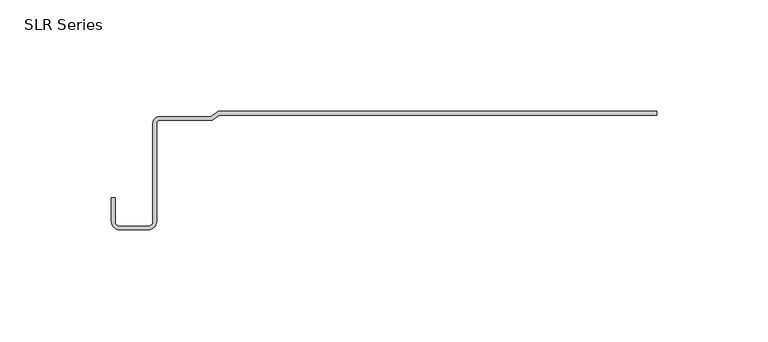
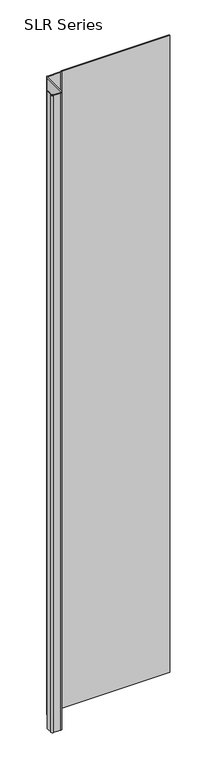
"""IFC4 building model written with IfcOpenShell, lengths in millimetres: plate geometry, SLR Series."""

from ifc_helpers import new_model, si_unit, point, frame_2d, origin, origin_with_axes, place, context, project, spatial, polyline, circle_curve, trimmed, segment, composite_curve, outline, extrude, source, transform, mapped, element, save


def slr_series_0f4c547c(model_context):
    return source(origin(), model_context, "Body", "SweptSolid", [
        extrude(outline(composite_curve([segment(polyline([(-127.059329, -51.5384393), (-114.1747192, -51.5384393)]), True, "CONTINUOUS"), segment(trimmed(circle_curve(frame_2d((-114.1747192, -49.4804807)), 2.0579585), [point((-114.1747192, -51.5384393))], [point((-112.1167607, -49.4804807))], True, "CARTESIAN"), True, "CONTINUOUS"), segment(polyline([(-112.1167607, -49.4804807), (-112.1167607, -5.1896345)]), True, "CONTINUOUS"), segment(trimmed(circle_curve(frame_2d((-109.3429905, -5.1896345)), 2.7737702), [point((-112.1167607, -5.1896345))], [point((-109.3429905, -2.4158643))], False, "CARTESIAN"), True, "CONTINUOUS"), segment(polyline([(-109.3429905, -2.4158643), (-86.1089372, -2.4158643), (-82.8877847, 0.0), (113.9042607, 0.0), (113.9042607, -1.6177343), (-82.3485399, -1.6177343), (-85.5696924, -4.0335987), (-109.3429905, -4.0335987)]), True, "CONTINUOUS"), segment(trimmed(circle_curve(frame_2d((-109.3429905, -5.1896345)), 1.1560358), [point((-109.3429905, -4.0335987))], [point((-110.4990263, -5.1896345))], True, "CARTESIAN"), True, "CONTINUOUS"), segment(polyline([(-110.4990263, -5.1896345), (-110.4990263, -49.4804807)]), True, "CONTINUOUS"), segment(trimmed(circle_curve(frame_2d((-114.1747192, -49.4804807)), 3.6756929), [point((-110.4990263, -49.4804807))], [point((-114.1747192, -53.1561736))], False, "CARTESIAN"), True, "CONTINUOUS"), segment(polyline([(-114.1747192, -53.1561736), (-127.059329, -53.1561736)]), True, "CONTINUOUS"), segment(trimmed(circle_curve(frame_2d((-127.059329, -49.4804807)), 3.6756929), [point((-127.059329, -53.1561736))], [point((-130.7350219, -49.4804807))], False, "CARTESIAN"), True, "CONTINUOUS"), segment(polyline([(-130.7350219, -49.4804807), (-130.7350219, -38.6538294), (-129.1172875, -38.6538294), (-129.1172875, -49.4804807)]), True, "CONTINUOUS"), segment(trimmed(circle_curve(frame_2d((-127.059329, -49.4804807)), 2.0579585), [point((-129.1172875, -49.4804807))], [point((-127.059329, -51.5384393))], True, "CARTESIAN"), True, "CONTINUOUS")], self_intersect=False)), origin_with_axes(), (0.0, 0.0, 1.0), 1228.3559792),
    ])


if __name__ == "__main__":
    model = new_model("IFC4")
    model_context = context("Model", 3, world=origin())
    ifc_project = project(units=[si_unit("LENGTHUNIT", "METRE", prefix="MILLI")], contexts=[model_context])
    site = spatial("IfcSite", under=ifc_project)
    building = spatial("IfcBuilding", under=site)
    placement = place(None, origin())
    slr_series_shape = slr_series_0f4c547c(model_context)
    element("IfcPlate", 1, ObjectType="SLR Series", at=placement, inside=building, context=model_context, shape_type="MappedRepresentation", body=[
        mapped(slr_series_shape, transform((0.0, 0.0, 0.0), x_axis=(1.0, 0.0, 0.0), y_axis=(0.0, 1.0, 0.0), z_axis=(0.0, 0.0, 1.0))),
    ])
    save(model, "model.ifc")
